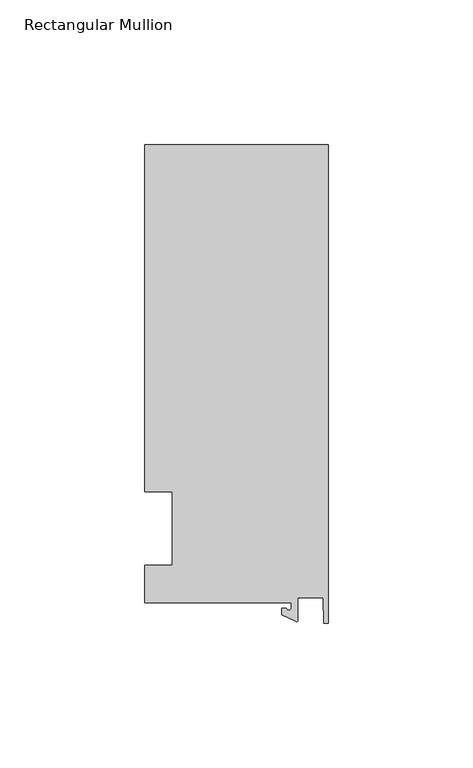
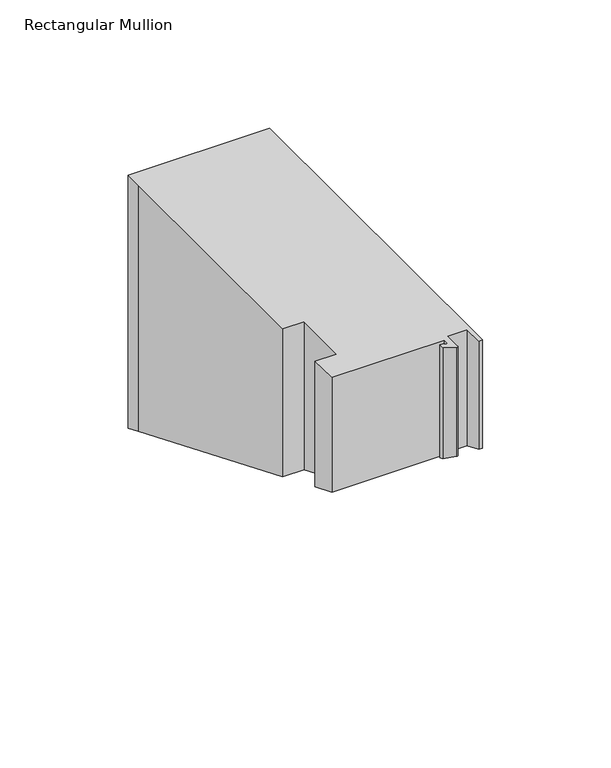
"""IFC4 building model written with IfcOpenShell, lengths in millimetres: member geometry, Rectangular Mullion."""

from ifc_helpers import new_model, si_unit, frame, origin, place, context, project, spatial, polyline, circle_curve, ellipse_curve, source, transform, mapped, element, save
from ifc_brep_helpers import plane_surface, cylinder_surface, revolved_surface, advanced_brep


def rectangular_mullion_df4634a1(model_context):
    return source(origin(), model_context, "Body", "AdvancedBrep", [
        advanced_brep(
        [(-12.8216721, -25.5984375, 0.0), (-12.8216721, -27.5208534, 0.0), (-14.4091721, -27.5208534, 0.0), (-15.9966721, -27.5208534, 0.0), (-15.9966721, -29.8830527, 0.0), (-11.1567622, -32.1399398, 0.0), (-10.4340721, -31.6795354, 0.0), (-10.4340721, -23.9227662, 0.0), (-1.7144124, -23.9227662, 0.0), (-1.5566453, -32.810012, 0.0), (0.0, -32.810012, 0.0), (0.0, 132.822512, 0.0), (-63.5, 132.822512, 0.0), (-63.5, 125.075512, 0.0), (-63.5, 12.7, 0.0), (-53.975, 12.7, 0.0), (-53.975, -12.7, 0.0), (-63.5, -12.7, 0.0), (-63.5, -25.5984375, 0.0), (-12.8216721, -25.5984375, -54.48428), (-12.8216721, -27.5208534, -53.6879893), (-14.4091721, -27.5208534, -53.6879893), (-15.9966721, -27.5208534, -53.6879893), (-15.9966721, -29.8830527, -52.7095343), (-11.1567622, -32.1399398, -51.774701), (-10.4340721, -31.6795354, -51.9654068), (-10.4340721, -23.9227662, -55.1783658), (-1.7144124, -23.9227662, -55.1783658), (-1.5566453, -32.810012, -51.4971481), (0.0, -32.810012, -51.4971481), (0.0, 132.822512, -120.1043859), (-63.5, 132.822512, -120.1043859), (-63.5, 125.075512, -116.8954734), (-63.5, 12.7, -70.3480122), (-53.975, 12.7, -70.3480122), (-53.975, -12.7, -59.8269878), (-63.5, -12.7, -59.8269878), (-63.5, -25.5984375, -54.48428)],
        [
            (0, 1),
            (1, 2, circle_curve(frame((-13.6154221, -27.5208534, 0.0), z_axis=(0.0, 0.0, -1.0), x_axis=(-1.0, 0.0, 0.0)), 0.79375)),
            (2, 3),
            (3, 4),
            (4, 5),
            (5, 6, circle_curve(frame((-10.9420721, -31.6795354, 0.0), z_axis=(0.0, 0.0, 1.0), x_axis=(-1.0, 0.0, 0.0)), 0.508)),
            (6, 7),
            (7, 8),
            (8, 9),
            (9, 10),
            (10, 11),
            (11, 12),
            (12, 13),
            (13, 14),
            (14, 15),
            (15, 16),
            (16, 17),
            (17, 18),
            (18, 0),
            (0, 19),
            (19, 20),
            (20, 1),
            (20, 21, ellipse_curve(frame((-13.6154221, -27.5208534, -53.6879893), z_axis=(0.0, -0.3826834323650925, -0.9238795325112856), x_axis=(0.0, 0.9238795325112857, -0.38268343236509245)), 0.8591488, 0.79375)),
            (21, 2),
            (21, 22),
            (22, 3),
            (22, 23),
            (23, 4),
            (23, 24),
            (24, 5),
            (24, 25, ellipse_curve(frame((-10.9420721, -31.6795354, -51.9654068), z_axis=(0.0, 0.3826834323650925, 0.9238795325112856), x_axis=(0.0, -0.9238795325112857, 0.38268343236509245)), 0.5498552, 0.508)),
            (25, 6),
            (25, 26),
            (26, 7),
            (26, 27),
            (27, 8),
            (27, 28),
            (28, 9),
            (28, 29),
            (29, 10),
            (29, 30),
            (30, 11),
            (30, 31),
            (31, 12),
            (31, 32),
            (32, 13),
            (32, 33),
            (33, 14),
            (33, 34),
            (34, 15),
            (34, 35),
            (35, 16),
            (35, 36),
            (36, 17),
            (36, 37),
            (37, 18),
            (37, 19),
        ],
        [
            plane_surface(frame((0.0, -147.2211591, 0.0), z_axis=(0.0, 0.0, 1.0), x_axis=(-1.0, 0.0, 0.0))),
            plane_surface(frame((-12.8216721, -25.5984375, 0.0), z_axis=(-1.0, 0.0, 0.0), x_axis=(0.0, 0.0, -1.0))),
            revolved_surface(polyline([(-14.4091721, -27.5208534, -54.016771311696345), (-14.4091721, -27.5208534, 0.0)]), (-13.6154221, -27.5208534, 0.0), (0.0, 0.0, -1.0)),
            plane_surface(frame((-14.4091721, -27.5208534, 0.0), z_axis=(0.0, 1.0, 0.0), x_axis=(0.0, 0.0, -1.0))),
            plane_surface(frame((-15.9966721, -27.5208534, 0.0), z_axis=(-1.0, 0.0, 0.0), x_axis=(0.0, 0.0, -1.0))),
            plane_surface(frame((-15.9966721, -29.8830527, 0.0), z_axis=(-0.4226182617406985, -0.9063077870366505, 0.0), x_axis=(0.0, 0.0, -1.0))),
            cylinder_surface(frame((-10.9420721, -31.6795354, 0.0), z_axis=(0.0, 0.0, 1.0), x_axis=(-1.0, 0.0, 0.0)), 0.508),
            plane_surface(frame((-10.4340721, -31.6795354, 0.0), z_axis=(1.0, 0.0, 0.0), x_axis=(0.0, 0.0, -1.0))),
            plane_surface(frame((-10.4340721, -23.9227662, 0.0), z_axis=(0.0, -1.0, 0.0), x_axis=(0.0, 0.0, -1.0))),
            plane_surface(frame((-1.7144124, -23.9227662, 0.0), z_axis=(-0.9998424690407919, -0.017749284560600327, 0.0), x_axis=(0.0, 0.0, -1.0))),
            plane_surface(frame((-1.5566453, -32.810012, 0.0), z_axis=(0.0, -1.0, 0.0), x_axis=(0.0, 0.0, -1.0))),
            plane_surface(frame((0.0, -32.810012, 0.0), z_axis=(1.0, 0.0, 0.0), x_axis=(0.0, 0.0, -1.0))),
            plane_surface(frame((0.0, 132.822512, 0.0), z_axis=(0.0, 1.0, 0.0), x_axis=(0.0, 0.0, -1.0))),
            plane_surface(frame((-63.5, 132.822512, 0.0), z_axis=(-1.0, 0.0, 0.0), x_axis=(0.0, 0.0, -1.0))),
            plane_surface(frame((-63.5, 125.075512, 0.0), z_axis=(-1.0, 0.0, 0.0), x_axis=(0.0, 0.0, -1.0))),
            plane_surface(frame((-63.5, 12.7, 0.0), z_axis=(0.0, -1.0, 0.0), x_axis=(0.0, 0.0, -1.0))),
            plane_surface(frame((-53.975, 12.7, 0.0), z_axis=(-1.0, 0.0, 0.0), x_axis=(0.0, 0.0, -1.0))),
            plane_surface(frame((-53.975, -12.7, 0.0), z_axis=(0.0, 1.0, 0.0), x_axis=(0.0, 0.0, -1.0))),
            plane_surface(frame((-63.5, -12.7, 0.0), z_axis=(-1.0, 0.0, 0.0), x_axis=(0.0, 0.0, -1.0))),
            plane_surface(frame((-63.5, -25.5984375, 0.0), z_axis=(0.0, -1.0, 0.0), x_axis=(0.0, 0.0, -1.0))),
            plane_surface(frame((304.8, 0.0, -65.0875), z_axis=(0.0, -0.3826834323650925, -0.9238795325112856), x_axis=(0.0, -0.9238795325112856, 0.3826834323650925))),
        ],
        [
            (0, [[1, 2, 3, 4, 5, 6, 7, 8, 9, 10, 11, 12, 13, 14, 15, 16, 17, 18, 19]]),
            (1, [[-1, 20, 21, 22]]),
            (2, [[-2, -22, 23, 24]]),
            (3, [[-3, -24, 25, 26]]),
            (4, [[-4, -26, 27, 28]]),
            (5, [[-5, -28, 29, 30]]),
            (6, [[-6, -30, 31, 32]]),
            (7, [[-7, -32, 33, 34]]),
            (8, [[-8, -34, 35, 36]]),
            (9, [[-9, -36, 37, 38]]),
            (10, [[-10, -38, 39, 40]]),
            (11, [[-11, -40, 41, 42]]),
            (12, [[-12, -42, 43, 44]]),
            (13, [[-13, -44, 45, 46]]),
            (14, [[-14, -46, 47, 48]]),
            (15, [[-15, -48, 49, 50]]),
            (16, [[-16, -50, 51, 52]]),
            (17, [[-17, -52, 53, 54]]),
            (18, [[-18, -54, 55, 56]]),
            (19, [[-19, -56, 57, -20]]),
            (20, [[-57, -55, -53, -51, -49, -47, -45, -43, -41, -39, -37, -35, -33, -31, -29, -27, -25, -23, -21]]),
        ],
    ),
    ])


if __name__ == "__main__":
    model = new_model("IFC4")
    model_context = context("Model", 3, world=origin())
    ifc_project = project(units=[si_unit("LENGTHUNIT", "METRE", prefix="MILLI")], contexts=[model_context])
    site = spatial("IfcSite", under=ifc_project)
    building = spatial("IfcBuilding", under=site)
    placement = place(None, origin())
    rectangular_mullion_shape = rectangular_mullion_df4634a1(model_context)
    element("IfcMember", 1, ObjectType="Rectangular Mullion", at=placement, inside=building, context=model_context, shape_type="MappedRepresentation", body=[
        mapped(rectangular_mullion_shape, transform((0.0, 0.0, 0.0), x_axis=(1.0, 0.0, 0.0), y_axis=(0.0, 1.0, 0.0), z_axis=(0.0, 0.0, 1.0))),
    ])
    save(model, "model.ifc")
